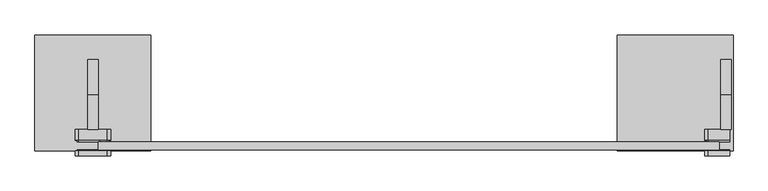
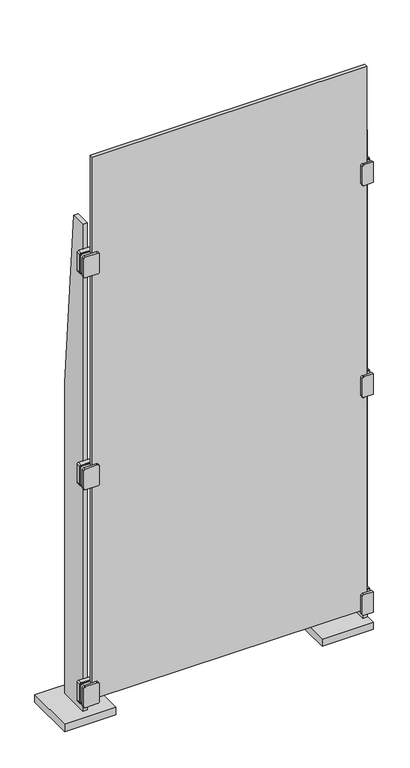
"""IFC4 building model written with IfcOpenShell, lengths in millimetres: plate geometry."""

from ifc_helpers import new_model, si_unit, point, frame, frame_2d, origin, origin_with_axes, place, context, project, spatial, polyline, circle_curve, trimmed, segment, composite_curve, outline, extrude, source, transform, mapped, element, save


def plate_d45654d4(model_context):
    return source(origin(), model_context, "Body", "SweptSolid", [
        extrude(outline(composite_curve([segment(polyline([(168.275, -558.7999998), (168.275, -596.8999998)]), True, "CONTINUOUS"), segment(trimmed(circle_curve(frame_2d((165.1, -596.8999998)), 3.175), [point((168.275, -596.8999998))], [point((165.1, -600.0749998))], False, "CARTESIAN"), True, "CONTINUOUS"), segment(polyline([(165.1, -600.0749998), (88.9, -600.0749998)]), True, "CONTINUOUS"), segment(trimmed(circle_curve(frame_2d((88.9, -596.8999998)), 3.175), [point((88.9, -600.0749998))], [point((85.725, -596.8999998))], False, "CARTESIAN"), True, "CONTINUOUS"), segment(polyline([(85.725, -596.8999998), (85.725, -558.7999998), (85.725, -546.0999998)]), True, "CONTINUOUS"), segment(trimmed(circle_curve(frame_2d((88.9, -546.0999998)), 3.175), [point((85.725, -546.0999998))], [point((88.9, -542.9249998))], False, "CARTESIAN"), True, "CONTINUOUS"), segment(polyline([(88.9, -542.9249998), (165.1, -542.9249998)]), True, "CONTINUOUS"), segment(trimmed(circle_curve(frame_2d((165.1, -546.0999998)), 3.175), [point((165.1, -542.9249998))], [point((168.275, -546.0999998))], False, "CARTESIAN"), True, "CONTINUOUS"), segment(polyline([(168.275, -546.0999998), (168.275, -558.7999998)]), True, "CONTINUOUS")], self_intersect=False)), frame((0.0, -114.3, 0.0), z_axis=(0.0, 1.0, 0.0), x_axis=(0.0, 0.0, 1.0)), (0.0, 0.0, 1.0), 1.5875),
        extrude(outline(composite_curve([segment(polyline([(168.275, -558.7999998), (168.275, -596.8999998)]), True, "CONTINUOUS"), segment(trimmed(circle_curve(frame_2d((165.1, -596.8999998)), 3.175), [point((168.275, -596.8999998))], [point((165.1, -600.0749998))], False, "CARTESIAN"), True, "CONTINUOUS"), segment(polyline([(165.1, -600.0749998), (88.9, -600.0749998)]), True, "CONTINUOUS"), segment(trimmed(circle_curve(frame_2d((88.9, -596.8999998)), 3.175), [point((88.9, -600.0749998))], [point((85.725, -596.8999998))], False, "CARTESIAN"), True, "CONTINUOUS"), segment(polyline([(85.725, -596.8999998), (85.725, -558.7999998), (85.725, -546.0999998)]), True, "CONTINUOUS"), segment(trimmed(circle_curve(frame_2d((88.9, -546.0999998)), 3.175), [point((85.725, -546.0999998))], [point((88.9, -542.9249998))], False, "CARTESIAN"), True, "CONTINUOUS"), segment(polyline([(88.9, -542.9249998), (165.1, -542.9249998)]), True, "CONTINUOUS"), segment(trimmed(circle_curve(frame_2d((165.1, -546.0999998)), 3.175), [point((165.1, -542.9249998))], [point((168.275, -546.0999998))], False, "CARTESIAN"), True, "CONTINUOUS"), segment(polyline([(168.275, -546.0999998), (168.275, -558.7999998)]), True, "CONTINUOUS")], self_intersect=False)), frame((0.0, -98.425, 0.0), z_axis=(0.0, 1.0, 0.0), x_axis=(0.0, 0.0, 1.0)), (0.0, 0.0, 1.0), 3.175),
        extrude(outline(composite_curve([segment(polyline([(165.1, -603.2499998), (88.9, -603.2499998)]), True, "CONTINUOUS"), segment(trimmed(circle_curve(frame_2d((88.9, -596.8999998)), 6.35), [point((88.9, -603.2499998))], [point((82.55, -596.8999998))], False, "CARTESIAN"), True, "CONTINUOUS"), segment(polyline([(82.55, -596.8999998), (82.55, -546.0999998)]), True, "CONTINUOUS"), segment(trimmed(circle_curve(frame_2d((88.9, -546.0999998)), 6.35), [point((82.55, -546.0999998))], [point((88.9, -539.7499998))], False, "CARTESIAN"), True, "CONTINUOUS"), segment(polyline([(88.9, -539.7499998), (165.1, -539.7499998)]), True, "CONTINUOUS"), segment(trimmed(circle_curve(frame_2d((165.1, -546.0999998)), 6.35), [point((165.1, -539.7499998))], [point((171.45, -546.0999998))], False, "CARTESIAN"), True, "CONTINUOUS"), segment(polyline([(171.45, -546.0999998), (171.45, -596.8999998)]), True, "CONTINUOUS"), segment(trimmed(circle_curve(frame_2d((165.1, -596.8999998)), 6.35), [point((171.45, -596.8999998))], [point((165.1, -603.2499998))], False, "CARTESIAN"), True, "CONTINUOUS")], self_intersect=False)), frame((0.0, -123.825, 0.0), z_axis=(0.0, 1.0, 0.0), x_axis=(0.0, 0.0, 1.0)), (0.0, 0.0, 1.0), 9.525),
        extrude(outline(composite_curve([segment(polyline([(165.1, -603.2499998), (88.9, -603.2499998)]), True, "CONTINUOUS"), segment(trimmed(circle_curve(frame_2d((88.9, -596.8999998)), 6.35), [point((88.9, -603.2499998))], [point((82.55, -596.8999998))], False, "CARTESIAN"), True, "CONTINUOUS"), segment(polyline([(82.55, -596.8999998), (82.55, -546.0999998)]), True, "CONTINUOUS"), segment(trimmed(circle_curve(frame_2d((88.9, -546.0999998)), 6.35), [point((82.55, -546.0999998))], [point((88.9, -539.7499998))], False, "CARTESIAN"), True, "CONTINUOUS"), segment(polyline([(88.9, -539.7499998), (165.1, -539.7499998)]), True, "CONTINUOUS"), segment(trimmed(circle_curve(frame_2d((165.1, -546.0999998)), 6.35), [point((165.1, -539.7499998))], [point((171.45, -546.0999998))], False, "CARTESIAN"), True, "CONTINUOUS"), segment(polyline([(171.45, -546.0999998), (171.45, -596.8999998)]), True, "CONTINUOUS"), segment(trimmed(circle_curve(frame_2d((165.1, -596.8999998)), 6.35), [point((171.45, -596.8999998))], [point((165.1, -603.2499998))], False, "CARTESIAN"), True, "CONTINUOUS")], self_intersect=False)), frame((0.0, -95.25, 0.0), z_axis=(0.0, 1.0, 0.0), x_axis=(0.0, 0.0, 1.0)), (0.0, 0.0, 1.0), 19.05),
        extrude(outline(composite_curve([segment(polyline([(2022.475, -558.7999998), (2022.475, -596.8999998)]), True, "CONTINUOUS"), segment(trimmed(circle_curve(frame_2d((2019.3, -596.8999998)), 3.175), [point((2022.475, -596.8999998))], [point((2019.3, -600.0749998))], False, "CARTESIAN"), True, "CONTINUOUS"), segment(polyline([(2019.3, -600.0749998), (1943.1, -600.0749998)]), True, "CONTINUOUS"), segment(trimmed(circle_curve(frame_2d((1943.1, -596.8999998)), 3.175), [point((1943.1, -600.0749998))], [point((1939.925, -596.8999998))], False, "CARTESIAN"), True, "CONTINUOUS"), segment(polyline([(1939.925, -596.8999998), (1939.925, -558.7999998), (1939.925, -546.0999998)]), True, "CONTINUOUS"), segment(trimmed(circle_curve(frame_2d((1943.1, -546.0999998)), 3.175), [point((1939.925, -546.0999998))], [point((1943.1, -542.9249998))], False, "CARTESIAN"), True, "CONTINUOUS"), segment(polyline([(1943.1, -542.9249998), (2019.3, -542.9249998)]), True, "CONTINUOUS"), segment(trimmed(circle_curve(frame_2d((2019.3, -546.0999998)), 3.175), [point((2019.3, -542.9249998))], [point((2022.475, -546.0999998))], False, "CARTESIAN"), True, "CONTINUOUS"), segment(polyline([(2022.475, -546.0999998), (2022.475, -558.7999998)]), True, "CONTINUOUS")], self_intersect=False)), frame((0.0, -114.3, 0.0), z_axis=(0.0, 1.0, 0.0), x_axis=(0.0, 0.0, 1.0)), (0.0, 0.0, 1.0), 1.5875),
        extrude(outline(composite_curve([segment(polyline([(2022.475, -558.7999998), (2022.475, -596.8999998)]), True, "CONTINUOUS"), segment(trimmed(circle_curve(frame_2d((2019.3, -596.8999998)), 3.175), [point((2022.475, -596.8999998))], [point((2019.3, -600.0749998))], False, "CARTESIAN"), True, "CONTINUOUS"), segment(polyline([(2019.3, -600.0749998), (1943.1, -600.0749998)]), True, "CONTINUOUS"), segment(trimmed(circle_curve(frame_2d((1943.1, -596.8999998)), 3.175), [point((1943.1, -600.0749998))], [point((1939.925, -596.8999998))], False, "CARTESIAN"), True, "CONTINUOUS"), segment(polyline([(1939.925, -596.8999998), (1939.925, -558.7999998), (1939.925, -546.0999998)]), True, "CONTINUOUS"), segment(trimmed(circle_curve(frame_2d((1943.1, -546.0999998)), 3.175), [point((1939.925, -546.0999998))], [point((1943.1, -542.9249998))], False, "CARTESIAN"), True, "CONTINUOUS"), segment(polyline([(1943.1, -542.9249998), (2019.3, -542.9249998)]), True, "CONTINUOUS"), segment(trimmed(circle_curve(frame_2d((2019.3, -546.0999998)), 3.175), [point((2019.3, -542.9249998))], [point((2022.475, -546.0999998))], False, "CARTESIAN"), True, "CONTINUOUS"), segment(polyline([(2022.475, -546.0999998), (2022.475, -558.7999998)]), True, "CONTINUOUS")], self_intersect=False)), frame((0.0, -98.425, 0.0), z_axis=(0.0, 1.0, 0.0), x_axis=(0.0, 0.0, 1.0)), (0.0, 0.0, 1.0), 3.175),
        extrude(outline(composite_curve([segment(polyline([(2019.3, -603.2499998), (1943.1, -603.2499998)]), True, "CONTINUOUS"), segment(trimmed(circle_curve(frame_2d((1943.1, -596.8999998)), 6.35), [point((1943.1, -603.2499998))], [point((1936.75, -596.8999998))], False, "CARTESIAN"), True, "CONTINUOUS"), segment(polyline([(1936.75, -596.8999998), (1936.75, -546.0999998)]), True, "CONTINUOUS"), segment(trimmed(circle_curve(frame_2d((1943.1, -546.0999998)), 6.35), [point((1936.75, -546.0999998))], [point((1943.1, -539.7499998))], False, "CARTESIAN"), True, "CONTINUOUS"), segment(polyline([(1943.1, -539.7499998), (2019.3, -539.7499998)]), True, "CONTINUOUS"), segment(trimmed(circle_curve(frame_2d((2019.3, -546.0999998)), 6.35), [point((2019.3, -539.7499998))], [point((2025.65, -546.0999998))], False, "CARTESIAN"), True, "CONTINUOUS"), segment(polyline([(2025.65, -546.0999998), (2025.65, -596.8999998)]), True, "CONTINUOUS"), segment(trimmed(circle_curve(frame_2d((2019.3, -596.8999998)), 6.35), [point((2025.65, -596.8999998))], [point((2019.3, -603.2499998))], False, "CARTESIAN"), True, "CONTINUOUS")], self_intersect=False)), frame((0.0, -123.825, 0.0), z_axis=(0.0, 1.0, 0.0), x_axis=(0.0, 0.0, 1.0)), (0.0, 0.0, 1.0), 9.525),
        extrude(outline(composite_curve([segment(polyline([(2019.3, -603.2499998), (1943.1, -603.2499998)]), True, "CONTINUOUS"), segment(trimmed(circle_curve(frame_2d((1943.1, -596.8999998)), 6.35), [point((1943.1, -603.2499998))], [point((1936.75, -596.8999998))], False, "CARTESIAN"), True, "CONTINUOUS"), segment(polyline([(1936.75, -596.8999998), (1936.75, -546.0999998)]), True, "CONTINUOUS"), segment(trimmed(circle_curve(frame_2d((1943.1, -546.0999998)), 6.35), [point((1936.75, -546.0999998))], [point((1943.1, -539.7499998))], False, "CARTESIAN"), True, "CONTINUOUS"), segment(polyline([(1943.1, -539.7499998), (2019.3, -539.7499998)]), True, "CONTINUOUS"), segment(trimmed(circle_curve(frame_2d((2019.3, -546.0999998)), 6.35), [point((2019.3, -539.7499998))], [point((2025.65, -546.0999998))], False, "CARTESIAN"), True, "CONTINUOUS"), segment(polyline([(2025.65, -546.0999998), (2025.65, -596.8999998)]), True, "CONTINUOUS"), segment(trimmed(circle_curve(frame_2d((2019.3, -596.8999998)), 6.35), [point((2025.65, -596.8999998))], [point((2019.3, -603.2499998))], False, "CARTESIAN"), True, "CONTINUOUS")], self_intersect=False)), frame((0.0, -95.25, 0.0), z_axis=(0.0, 1.0, 0.0), x_axis=(0.0, 0.0, 1.0)), (0.0, 0.0, 1.0), 19.05),
        extrude(outline(composite_curve([segment(polyline([(1108.075, -558.7999998), (1108.075, -596.8999998)]), True, "CONTINUOUS"), segment(trimmed(circle_curve(frame_2d((1104.9, -596.8999998)), 3.175), [point((1108.075, -596.8999998))], [point((1104.9, -600.0749998))], False, "CARTESIAN"), True, "CONTINUOUS"), segment(polyline([(1104.9, -600.0749998), (1028.7, -600.0749998)]), True, "CONTINUOUS"), segment(trimmed(circle_curve(frame_2d((1028.7, -596.8999998)), 3.175), [point((1028.7, -600.0749998))], [point((1025.525, -596.8999998))], False, "CARTESIAN"), True, "CONTINUOUS"), segment(polyline([(1025.525, -596.8999998), (1025.525, -558.7999998), (1025.525, -546.0999998)]), True, "CONTINUOUS"), segment(trimmed(circle_curve(frame_2d((1028.7, -546.0999998)), 3.175), [point((1025.525, -546.0999998))], [point((1028.7, -542.9249998))], False, "CARTESIAN"), True, "CONTINUOUS"), segment(polyline([(1028.7, -542.9249998), (1104.9, -542.9249998)]), True, "CONTINUOUS"), segment(trimmed(circle_curve(frame_2d((1104.9, -546.0999998)), 3.175), [point((1104.9, -542.9249998))], [point((1108.075, -546.0999998))], False, "CARTESIAN"), True, "CONTINUOUS"), segment(polyline([(1108.075, -546.0999998), (1108.075, -558.7999998)]), True, "CONTINUOUS")], self_intersect=False)), frame((0.0, -114.3, 0.0), z_axis=(0.0, 1.0, 0.0), x_axis=(0.0, 0.0, 1.0)), (0.0, 0.0, 1.0), 1.5875),
        extrude(outline(composite_curve([segment(polyline([(1108.075, -558.7999998), (1108.075, -596.8999998)]), True, "CONTINUOUS"), segment(trimmed(circle_curve(frame_2d((1104.9, -596.8999998)), 3.175), [point((1108.075, -596.8999998))], [point((1104.9, -600.0749998))], False, "CARTESIAN"), True, "CONTINUOUS"), segment(polyline([(1104.9, -600.0749998), (1028.7, -600.0749998)]), True, "CONTINUOUS"), segment(trimmed(circle_curve(frame_2d((1028.7, -596.8999998)), 3.175), [point((1028.7, -600.0749998))], [point((1025.525, -596.8999998))], False, "CARTESIAN"), True, "CONTINUOUS"), segment(polyline([(1025.525, -596.8999998), (1025.525, -558.7999998), (1025.525, -546.0999998)]), True, "CONTINUOUS"), segment(trimmed(circle_curve(frame_2d((1028.7, -546.0999998)), 3.175), [point((1025.525, -546.0999998))], [point((1028.7, -542.9249998))], False, "CARTESIAN"), True, "CONTINUOUS"), segment(polyline([(1028.7, -542.9249998), (1104.9, -542.9249998)]), True, "CONTINUOUS"), segment(trimmed(circle_curve(frame_2d((1104.9, -546.0999998)), 3.175), [point((1104.9, -542.9249998))], [point((1108.075, -546.0999998))], False, "CARTESIAN"), True, "CONTINUOUS"), segment(polyline([(1108.075, -546.0999998), (1108.075, -558.7999998)]), True, "CONTINUOUS")], self_intersect=False)), frame((0.0, -98.425, 0.0), z_axis=(0.0, 1.0, 0.0), x_axis=(0.0, 0.0, 1.0)), (0.0, 0.0, 1.0), 3.175),
        extrude(outline(composite_curve([segment(polyline([(1104.9, -603.2499998), (1028.7, -603.2499998)]), True, "CONTINUOUS"), segment(trimmed(circle_curve(frame_2d((1028.7, -596.8999998)), 6.35), [point((1028.7, -603.2499998))], [point((1022.35, -596.8999998))], False, "CARTESIAN"), True, "CONTINUOUS"), segment(polyline([(1022.35, -596.8999998), (1022.35, -546.0999998)]), True, "CONTINUOUS"), segment(trimmed(circle_curve(frame_2d((1028.7, -546.0999998)), 6.35), [point((1022.35, -546.0999998))], [point((1028.7, -539.7499998))], False, "CARTESIAN"), True, "CONTINUOUS"), segment(polyline([(1028.7, -539.7499998), (1104.9, -539.7499998)]), True, "CONTINUOUS"), segment(trimmed(circle_curve(frame_2d((1104.9, -546.0999998)), 6.35), [point((1104.9, -539.7499998))], [point((1111.25, -546.0999998))], False, "CARTESIAN"), True, "CONTINUOUS"), segment(polyline([(1111.25, -546.0999998), (1111.25, -596.8999998)]), True, "CONTINUOUS"), segment(trimmed(circle_curve(frame_2d((1104.9, -596.8999998)), 6.35), [point((1111.25, -596.8999998))], [point((1104.9, -603.2499998))], False, "CARTESIAN"), True, "CONTINUOUS")], self_intersect=False)), frame((0.0, -123.825, 0.0), z_axis=(0.0, 1.0, 0.0), x_axis=(0.0, 0.0, 1.0)), (0.0, 0.0, 1.0), 9.525),
        extrude(outline(composite_curve([segment(polyline([(1104.9, -603.2499998), (1028.7, -603.2499998)]), True, "CONTINUOUS"), segment(trimmed(circle_curve(frame_2d((1028.7, -596.8999998)), 6.35), [point((1028.7, -603.2499998))], [point((1022.35, -596.8999998))], False, "CARTESIAN"), True, "CONTINUOUS"), segment(polyline([(1022.35, -596.8999998), (1022.35, -546.0999998)]), True, "CONTINUOUS"), segment(trimmed(circle_curve(frame_2d((1028.7, -546.0999998)), 6.35), [point((1022.35, -546.0999998))], [point((1028.7, -539.7499998))], False, "CARTESIAN"), True, "CONTINUOUS"), segment(polyline([(1028.7, -539.7499998), (1104.9, -539.7499998)]), True, "CONTINUOUS"), segment(trimmed(circle_curve(frame_2d((1104.9, -546.0999998)), 6.35), [point((1104.9, -539.7499998))], [point((1111.25, -546.0999998))], False, "CARTESIAN"), True, "CONTINUOUS"), segment(polyline([(1111.25, -546.0999998), (1111.25, -596.8999998)]), True, "CONTINUOUS"), segment(trimmed(circle_curve(frame_2d((1104.9, -596.8999998)), 6.35), [point((1111.25, -596.8999998))], [point((1104.9, -603.2499998))], False, "CARTESIAN"), True, "CONTINUOUS")], self_intersect=False)), frame((0.0, -95.25, 0.0), z_axis=(0.0, 1.0, 0.0), x_axis=(0.0, 0.0, 1.0)), (0.0, 0.0, 1.0), 19.05),
        extrude(outline(polyline([(50.8, 1371.6), (50.8, 0.0), (-76.2, 0.0), (-76.2, 2133.6), (-12.7, 2133.6), (50.8, 1371.6)])), frame((-581.0249998, 0.0, 0.0), z_axis=(1.0, 0.0, 0.0), x_axis=(0.0, 1.0, 0.0)), (0.0, 0.0, 1.0), 19.05),
        extrude(outline(polyline([(-466.7249998, 95.25), (-466.7249998, -114.3), (-676.2749998, -114.3), (-676.2749998, 95.25), (-466.7249998, 95.25)])), origin_with_axes(), (0.0, 0.0, 1.0), 31.75),
        extrude(outline(composite_curve([segment(polyline([(168.275, 577.8499998), (168.275, 539.7499998)]), True, "CONTINUOUS"), segment(trimmed(circle_curve(frame_2d((165.1, 539.7499998)), 3.175), [point((168.275, 539.7499998))], [point((165.1, 536.5749998))], False, "CARTESIAN"), True, "CONTINUOUS"), segment(polyline([(165.1, 536.5749998), (88.9, 536.5749998)]), True, "CONTINUOUS"), segment(trimmed(circle_curve(frame_2d((88.9, 539.7499998)), 3.175), [point((88.9, 536.5749998))], [point((85.725, 539.7499998))], False, "CARTESIAN"), True, "CONTINUOUS"), segment(polyline([(85.725, 539.7499998), (85.725, 577.8499998), (168.275, 577.8499998)]), True, "CONTINUOUS")], self_intersect=False)), frame((0.0, -114.3, 0.0), z_axis=(0.0, 1.0, 0.0), x_axis=(0.0, 0.0, 1.0)), (0.0, 0.0, 1.0), 1.5875),
        extrude(outline(composite_curve([segment(polyline([(168.275, 577.8499998), (168.275, 539.7499998)]), True, "CONTINUOUS"), segment(trimmed(circle_curve(frame_2d((165.1, 539.7499998)), 3.175), [point((168.275, 539.7499998))], [point((165.1, 536.5749998))], False, "CARTESIAN"), True, "CONTINUOUS"), segment(polyline([(165.1, 536.5749998), (88.9, 536.5749998)]), True, "CONTINUOUS"), segment(trimmed(circle_curve(frame_2d((88.9, 539.7499998)), 3.175), [point((88.9, 536.5749998))], [point((85.725, 539.7499998))], False, "CARTESIAN"), True, "CONTINUOUS"), segment(polyline([(85.725, 539.7499998), (85.725, 577.8499998), (168.275, 577.8499998)]), True, "CONTINUOUS")], self_intersect=False)), frame((0.0, -98.425, 0.0), z_axis=(0.0, 1.0, 0.0), x_axis=(0.0, 0.0, 1.0)), (0.0, 0.0, 1.0), 3.175),
        extrude(outline(composite_curve([segment(polyline([(165.1, 533.3999998), (88.9, 533.3999998)]), True, "CONTINUOUS"), segment(trimmed(circle_curve(frame_2d((88.9, 539.7499998)), 6.35), [point((88.9, 533.3999998))], [point((82.55, 539.7499998))], False, "CARTESIAN"), True, "CONTINUOUS"), segment(polyline([(82.55, 539.7499998), (82.55, 577.8499998), (171.45, 577.8499998), (171.45, 539.7499998)]), True, "CONTINUOUS"), segment(trimmed(circle_curve(frame_2d((165.1, 539.7499998)), 6.35), [point((171.45, 539.7499998))], [point((165.1, 533.3999998))], False, "CARTESIAN"), True, "CONTINUOUS")], self_intersect=False)), frame((0.0, -123.825, 0.0), z_axis=(0.0, 1.0, 0.0), x_axis=(0.0, 0.0, 1.0)), (0.0, 0.0, 1.0), 9.525),
        extrude(outline(composite_curve([segment(polyline([(165.1, 533.3999998), (88.9, 533.3999998)]), True, "CONTINUOUS"), segment(trimmed(circle_curve(frame_2d((88.9, 539.7499998)), 6.35), [point((88.9, 533.3999998))], [point((82.55, 539.7499998))], False, "CARTESIAN"), True, "CONTINUOUS"), segment(polyline([(82.55, 539.7499998), (82.55, 577.8499998), (171.45, 577.8499998), (171.45, 539.7499998)]), True, "CONTINUOUS"), segment(trimmed(circle_curve(frame_2d((165.1, 539.7499998)), 6.35), [point((171.45, 539.7499998))], [point((165.1, 533.3999998))], False, "CARTESIAN"), True, "CONTINUOUS")], self_intersect=False)), frame((0.0, -95.25, 0.0), z_axis=(0.0, 1.0, 0.0), x_axis=(0.0, 0.0, 1.0)), (0.0, 0.0, 1.0), 19.05),
        extrude(outline(polyline([(374.6499998, 95.25), (584.1999998, 95.25), (584.1999998, -114.3), (374.6499998, -114.3), (374.6499998, 95.25)])), origin_with_axes(), (0.0, 0.0, 1.0), 31.75),
        extrude(outline(composite_curve([segment(polyline([(2022.475, 577.8499998), (2022.475, 539.7499998)]), True, "CONTINUOUS"), segment(trimmed(circle_curve(frame_2d((2019.3, 539.7499998)), 3.175), [point((2022.475, 539.7499998))], [point((2019.3, 536.5749998))], False, "CARTESIAN"), True, "CONTINUOUS"), segment(polyline([(2019.3, 536.5749998), (1943.1, 536.5749998)]), True, "CONTINUOUS"), segment(trimmed(circle_curve(frame_2d((1943.1, 539.7499998)), 3.175), [point((1943.1, 536.5749998))], [point((1939.925, 539.7499998))], False, "CARTESIAN"), True, "CONTINUOUS"), segment(polyline([(1939.925, 539.7499998), (1939.925, 577.8499998), (2022.475, 577.8499998)]), True, "CONTINUOUS")], self_intersect=False)), frame((0.0, -114.3, 0.0), z_axis=(0.0, 1.0, 0.0), x_axis=(0.0, 0.0, 1.0)), (0.0, 0.0, 1.0), 1.5875),
        extrude(outline(composite_curve([segment(polyline([(2022.475, 577.8499998), (2022.475, 539.7499998)]), True, "CONTINUOUS"), segment(trimmed(circle_curve(frame_2d((2019.3, 539.7499998)), 3.175), [point((2022.475, 539.7499998))], [point((2019.3, 536.5749998))], False, "CARTESIAN"), True, "CONTINUOUS"), segment(polyline([(2019.3, 536.5749998), (1943.1, 536.5749998)]), True, "CONTINUOUS"), segment(trimmed(circle_curve(frame_2d((1943.1, 539.7499998)), 3.175), [point((1943.1, 536.5749998))], [point((1939.925, 539.7499998))], False, "CARTESIAN"), True, "CONTINUOUS"), segment(polyline([(1939.925, 539.7499998), (1939.925, 577.8499998), (2022.475, 577.8499998)]), True, "CONTINUOUS")], self_intersect=False)), frame((0.0, -98.425, 0.0), z_axis=(0.0, 1.0, 0.0), x_axis=(0.0, 0.0, 1.0)), (0.0, 0.0, 1.0), 3.175),
        extrude(outline(composite_curve([segment(polyline([(2019.3, 533.3999998), (1943.1, 533.3999998)]), True, "CONTINUOUS"), segment(trimmed(circle_curve(frame_2d((1943.1, 539.7499998)), 6.35), [point((1943.1, 533.3999998))], [point((1936.75, 539.7499998))], False, "CARTESIAN"), True, "CONTINUOUS"), segment(polyline([(1936.75, 539.7499998), (1936.75, 577.8499998), (2025.65, 577.8499998), (2025.65, 539.7499998)]), True, "CONTINUOUS"), segment(trimmed(circle_curve(frame_2d((2019.3, 539.7499998)), 6.35), [point((2025.65, 539.7499998))], [point((2019.3, 533.3999998))], False, "CARTESIAN"), True, "CONTINUOUS")], self_intersect=False)), frame((0.0, -123.825, 0.0), z_axis=(0.0, 1.0, 0.0), x_axis=(0.0, 0.0, 1.0)), (0.0, 0.0, 1.0), 9.525),
        extrude(outline(composite_curve([segment(polyline([(2019.3, 533.3999998), (1943.1, 533.3999998)]), True, "CONTINUOUS"), segment(trimmed(circle_curve(frame_2d((1943.1, 539.7499998)), 6.35), [point((1943.1, 533.3999998))], [point((1936.75, 539.7499998))], False, "CARTESIAN"), True, "CONTINUOUS"), segment(polyline([(1936.75, 539.7499998), (1936.75, 577.8499998), (2025.65, 577.8499998), (2025.65, 539.7499998)]), True, "CONTINUOUS"), segment(trimmed(circle_curve(frame_2d((2019.3, 539.7499998)), 6.35), [point((2025.65, 539.7499998))], [point((2019.3, 533.3999998))], False, "CARTESIAN"), True, "CONTINUOUS")], self_intersect=False)), frame((0.0, -95.25, 0.0), z_axis=(0.0, 1.0, 0.0), x_axis=(0.0, 0.0, 1.0)), (0.0, 0.0, 1.0), 19.05),
        extrude(outline(composite_curve([segment(polyline([(1108.075, 577.8499998), (1108.075, 539.7499998)]), True, "CONTINUOUS"), segment(trimmed(circle_curve(frame_2d((1104.9, 539.7499998)), 3.175), [point((1108.075, 539.7499998))], [point((1104.9, 536.5749998))], False, "CARTESIAN"), True, "CONTINUOUS"), segment(polyline([(1104.9, 536.5749998), (1028.7, 536.5749998)]), True, "CONTINUOUS"), segment(trimmed(circle_curve(frame_2d((1028.7, 539.7499998)), 3.175), [point((1028.7, 536.5749998))], [point((1025.525, 539.7499998))], False, "CARTESIAN"), True, "CONTINUOUS"), segment(polyline([(1025.525, 539.7499998), (1025.525, 577.8499998), (1108.075, 577.8499998)]), True, "CONTINUOUS")], self_intersect=False)), frame((0.0, -114.3, 0.0), z_axis=(0.0, 1.0, 0.0), x_axis=(0.0, 0.0, 1.0)), (0.0, 0.0, 1.0), 1.5875),
        extrude(outline(composite_curve([segment(polyline([(1108.075, 577.8499998), (1108.075, 539.7499998)]), True, "CONTINUOUS"), segment(trimmed(circle_curve(frame_2d((1104.9, 539.7499998)), 3.175), [point((1108.075, 539.7499998))], [point((1104.9, 536.5749998))], False, "CARTESIAN"), True, "CONTINUOUS"), segment(polyline([(1104.9, 536.5749998), (1028.7, 536.5749998)]), True, "CONTINUOUS"), segment(trimmed(circle_curve(frame_2d((1028.7, 539.7499998)), 3.175), [point((1028.7, 536.5749998))], [point((1025.525, 539.7499998))], False, "CARTESIAN"), True, "CONTINUOUS"), segment(polyline([(1025.525, 539.7499998), (1025.525, 577.8499998), (1108.075, 577.8499998)]), True, "CONTINUOUS")], self_intersect=False)), frame((0.0, -98.425, 0.0), z_axis=(0.0, 1.0, 0.0), x_axis=(0.0, 0.0, 1.0)), (0.0, 0.0, 1.0), 3.175),
        extrude(outline(composite_curve([segment(polyline([(1104.9, 533.3999998), (1028.7, 533.3999998)]), True, "CONTINUOUS"), segment(trimmed(circle_curve(frame_2d((1028.7, 539.7499998)), 6.35), [point((1028.7, 533.3999998))], [point((1022.35, 539.7499998))], False, "CARTESIAN"), True, "CONTINUOUS"), segment(polyline([(1022.35, 539.7499998), (1022.35, 577.8499998), (1111.25, 577.8499998), (1111.25, 539.7499998)]), True, "CONTINUOUS"), segment(trimmed(circle_curve(frame_2d((1104.9, 539.7499998)), 6.35), [point((1111.25, 539.7499998))], [point((1104.9, 533.3999998))], False, "CARTESIAN"), True, "CONTINUOUS")], self_intersect=False)), frame((0.0, -123.825, 0.0), z_axis=(0.0, 1.0, 0.0), x_axis=(0.0, 0.0, 1.0)), (0.0, 0.0, 1.0), 9.525),
        extrude(outline(composite_curve([segment(polyline([(1104.9, 533.3999998), (1028.7, 533.3999998)]), True, "CONTINUOUS"), segment(trimmed(circle_curve(frame_2d((1028.7, 539.7499998)), 6.35), [point((1028.7, 533.3999998))], [point((1022.35, 539.7499998))], False, "CARTESIAN"), True, "CONTINUOUS"), segment(polyline([(1022.35, 539.7499998), (1022.35, 577.8499998), (1111.25, 577.8499998), (1111.25, 539.7499998)]), True, "CONTINUOUS"), segment(trimmed(circle_curve(frame_2d((1104.9, 539.7499998)), 6.35), [point((1111.25, 539.7499998))], [point((1104.9, 533.3999998))], False, "CARTESIAN"), True, "CONTINUOUS")], self_intersect=False)), frame((0.0, -95.25, 0.0), z_axis=(0.0, 1.0, 0.0), x_axis=(0.0, 0.0, 1.0)), (0.0, 0.0, 1.0), 19.05),
        extrude(outline(polyline([(50.8, 1371.6), (50.8, 0.0), (-76.2, 0.0), (-76.2, 2133.6), (-12.7, 2133.6), (50.8, 1371.6)])), frame((561.9749998, 0.0, 0.0), z_axis=(1.0, 0.0, 0.0), x_axis=(0.0, 1.0, 0.0)), (0.0, 0.0, 1.0), 19.05),
        extrude(outline(polyline([(558.7999998, -98.425), (558.7999998, -112.7125), (-561.9749998, -112.7125), (-561.9749998, -98.425), (558.7999998, -98.425)])), frame((0.0, 0.0, 98.425), z_axis=(0.0, 0.0, 1.0), x_axis=(1.0, 0.0, 0.0)), (0.0, 0.0, 1.0), 2339.975),
    ])


if __name__ == "__main__":
    model = new_model("IFC4")
    model_context = context("Model", 3, world=origin())
    ifc_project = project(units=[si_unit("LENGTHUNIT", "METRE", prefix="MILLI")], contexts=[model_context])
    site = spatial("IfcSite", under=ifc_project)
    building = spatial("IfcBuilding", under=site)
    placement = place(None, origin())
    plate_shape = plate_d45654d4(model_context)
    element("IfcPlate", 1, at=placement, inside=building, context=model_context, shape_type="MappedRepresentation", body=[
        mapped(plate_shape, transform((0.0, 0.0, 0.0), x_axis=(1.0, 0.0, 0.0), y_axis=(0.0, 1.0, 0.0), z_axis=(0.0, 0.0, 1.0))),
    ])
    save(model, "model.ifc")
